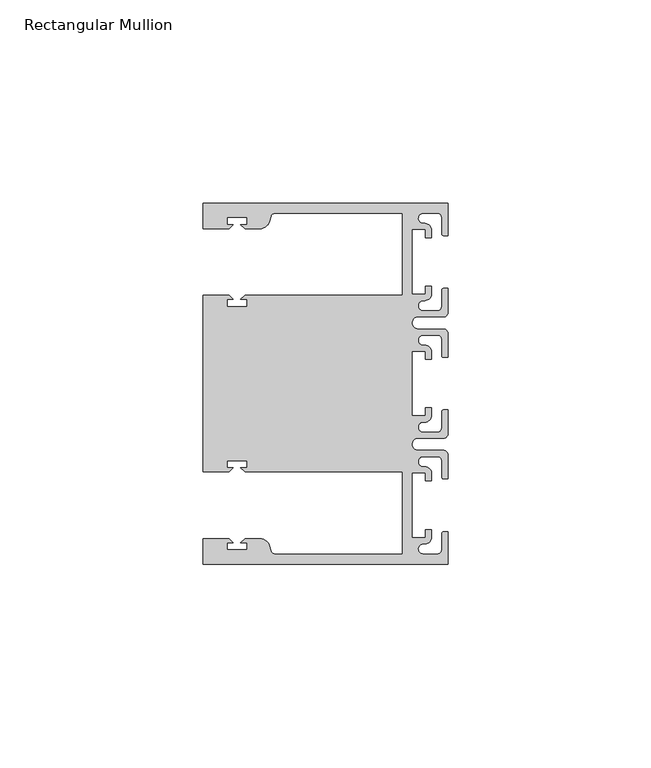
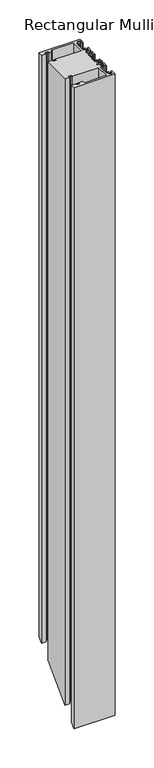
"""IFC4 building model written with IfcOpenShell, lengths in millimetres: member geometry, Rectangular Mullion."""

from ifc_helpers import new_model, si_unit, frame, origin, place, context, project, spatial, polyline, circle_curve, ellipse_curve, source, transform, mapped, element, save
from ifc_brep_helpers import plane_surface, cylinder_surface, revolved_surface, advanced_brep


def rectangular_mullion_a1ceb958(model_context):
    return source(origin(), model_context, "Body", "AdvancedBrep", [
        advanced_brep(
        [(0.0, -44.45, 0.0), (0.0, -36.4500318, 0.0), (-1.0, -36.4500318, 0.0), (-1.5, -36.9500318, 0.0), (-1.5, -40.95, 0.0), (-2.5, -41.95, 0.0), (-6.0499986, -41.95, 0.0), (-5.9027291, -39.4587029, 0.0), (-4.0000054, -37.7499972, 0.0), (-4.0000054, -35.9500318, 0.0), (-5.5, -35.9500318, 0.0), (-5.5, -37.9499972, 0.0), (-8.8585786, -37.9499972, 0.0), (-8.8585786, -21.9499956, 0.0), (-5.5, -21.9499956, 0.0), (-5.5, -23.9499611, 0.0), (-3.9999946, -23.9499611, 0.0), (-3.9999946, -22.0272972, 0.0), (-6.0499986, -20.4499956, 0.0), (-6.0499986, -17.9499929, 0.0), (-2.5, -17.9499929, 0.0), (-1.5, -18.9499929, 0.0), (-1.5, -22.9499611, 0.0), (-1.0, -23.4499611, 0.0), (0.0, -23.4499611, 0.0), (0.0, -17.4499929, 0.0), (-1.0, -16.4499929, 0.0), (-7.3, -16.4499929, 0.0), (-7.3046244, -13.45, 0.0), (-1.0, -13.45, 0.0), (0.0, -12.45, 0.0), (0.0, -6.4500354, 0.0), (-0.9999964, -6.4500354, 0.0), (-1.4999964, -6.9500354, 0.0), (-1.4999964, -10.95, 0.0), (-2.4999964, -11.95, 0.0), (-6.0499986, -11.95, 0.0), (-6.0499986, -9.4499972, 0.0), (-4.0000054, -7.7499972, 0.0), (-4.0000054, -5.9500318, 0.0), (-5.5, -5.9500318, 0.0), (-5.5, -7.9499972, 0.0), (-8.8, -7.9499972, 0.0), (-8.8, 7.9499972, 0.0), (-5.5, 7.9499972, 0.0), (-5.5, 5.9500318, 0.0), (-4.0000054, 5.9500318, 0.0), (-4.0000054, 7.7499972, 0.0), (-6.0499986, 9.4499972, 0.0), (-6.0499986, 11.95, 0.0), (-2.4999964, 11.95, 0.0), (-1.4999964, 10.95, 0.0), (-1.4999964, 6.9500354, 0.0), (-0.9999964, 6.4500354, 0.0), (0.0, 6.4500354, 0.0), (0.0, 12.45, 0.0), (-1.0, 13.45, 0.0), (-7.3046244, 13.45, 0.0), (-7.3, 16.4499929, 0.0), (-1.0, 16.4499929, 0.0), (0.0, 17.4499929, 0.0), (0.0, 23.4499611, 0.0), (-1.0, 23.4499611, 0.0), (-1.5, 22.9499611, 0.0), (-1.5, 18.9499929, 0.0), (-2.5, 17.9499929, 0.0), (-6.0499986, 17.9499929, 0.0), (-6.0499986, 20.4499956, 0.0), (-3.9999946, 22.0272972, 0.0), (-3.9999946, 23.9499611, 0.0), (-5.5, 23.9499611, 0.0), (-5.5, 21.9499956, 0.0), (-8.8585786, 21.9499956, 0.0), (-8.8585786, 37.9499972, 0.0), (-5.5, 37.9499972, 0.0), (-5.5, 35.9500318, 0.0), (-4.0000054, 35.9500318, 0.0), (-4.0000054, 37.7499972, 0.0), (-5.9027291, 39.4587029, 0.0), (-6.0499986, 41.95, 0.0), (-2.5, 41.95, 0.0), (-1.5, 40.95, 0.0), (-1.5, 36.9500318, 0.0), (-1.0, 36.4500318, 0.0), (0.0, 36.4500318, 0.0), (0.0, 44.45, 0.0), (-60.325, 44.45, 0.0), (-60.325, 38.1499897, 0.0), (-53.8507531, 38.1499897, 0.0), (-52.8507405, 39.1500023, 0.0), (-54.4249778, 39.1500023, 0.0), (-54.4249778, 40.9498819, 0.0), (-49.4249831, 40.9498819, 0.0), (-49.4249831, 39.1500023, 0.0), (-50.999256, 39.1500023, 0.0), (-49.9992503, 38.1499966, 0.0), (-46.3137853, 38.1499966, 0.0), (-43.8989707, 40.002949, 0.0), (-43.5758588, 41.2088192, 0.0), (-42.6099329, 41.9500001, 0.0), (-11.1125, 41.95, 0.0), (-11.1125, 21.7499959, 0.0), (-49.9992434, 21.7499959, 0.0), (-50.999256, 20.7499834, 0.0), (-49.4250186, 20.7499834, 0.0), (-49.4250186, 18.949936, 0.0), (-54.4250134, 18.949936, 0.0), (-54.4250134, 20.7499834, 0.0), (-52.8507405, 20.7499834, 0.0), (-53.8507562, 21.749999, 0.0), (-60.325, 21.749999, 0.0), (-60.325, -21.749999, 0.0), (-53.8507562, -21.749999, 0.0), (-52.8507405, -20.7499834, 0.0), (-54.4250134, -20.7499834, 0.0), (-54.4250134, -18.949936, 0.0), (-49.4250186, -18.949936, 0.0), (-49.4250186, -20.7499834, 0.0), (-50.999256, -20.7499834, 0.0), (-49.9992434, -21.7499959, 0.0), (-11.1124977, -21.7499959, 0.0), (-11.1124977, -41.95, 0.0), (-42.6099329, -41.95, 0.0), (-43.5758588, -41.2088192, 0.0), (-43.8989707, -40.002949, 0.0), (-46.3137853, -38.1499966, 0.0), (-49.9992503, -38.1499966, 0.0), (-50.999256, -39.1500023, 0.0), (-49.4249831, -39.1500023, 0.0), (-49.4249831, -40.9498819, 0.0), (-54.4249778, -40.9498819, 0.0), (-54.4249778, -39.1500023, 0.0), (-52.8507405, -39.1500023, 0.0), (-53.8507531, -38.1499897, 0.0), (-60.3249977, -38.1499897, 0.0), (-60.3249977, -44.45, 0.0), (0.0, -44.45, -996.95), (0.0, -36.4500318, -988.9500318), (-1.0, -36.4500318, -988.9500318), (-1.5, -36.9500318, -989.4500318), (-1.5, -40.95, -993.45), (-2.5, -41.95, -994.45), (-6.0499986, -41.95, -994.45), (-5.9027291, -39.4587029, -991.9587029), (-4.0000054, -37.7499972, -990.2499972), (-4.0000054, -35.9500318, -988.4500318), (-5.5, -35.9500318, -988.4500318), (-5.5, -37.9499972, -990.4499972), (-8.8585786, -37.9499972, -990.4499972), (-8.8585786, -21.9499956, -974.4499956), (-5.5, -21.9499956, -974.4499956), (-5.5, -23.9499611, -976.4499611), (-3.9999946, -23.9499611, -976.4499611), (-3.9999946, -22.0272972, -974.5272972), (-6.0499986, -20.4499956, -972.9499956), (-6.0499986, -17.9499929, -970.4499929), (-2.5, -17.9499929, -970.4499929), (-1.5, -18.9499929, -971.4499929), (-1.5, -22.9499611, -975.4499611), (-1.0, -23.4499611, -975.9499611), (0.0, -23.4499611, -975.9499611), (0.0, -17.4499929, -969.9499929), (-1.0, -16.4499929, -968.9499929), (-7.3, -16.4499929, -968.9499929), (-7.3046244, -13.45, -965.95), (-1.0, -13.45, -965.95), (0.0, -12.45, -964.95), (0.0, -6.4500354, -958.9500354), (-0.9999964, -6.4500354, -958.9500354), (-1.4999964, -6.9500354, -959.4500354), (-1.4999964, -10.95, -963.45), (-2.4999964, -11.95, -964.45), (-6.0499986, -11.95, -964.45), (-6.0499986, -9.4499972, -961.9499972), (-4.0000054, -7.7499972, -960.2499972), (-4.0000054, -5.9500318, -958.4500318), (-5.5, -5.9500318, -958.4500318), (-5.5, -7.9499972, -960.4499972), (-8.8, -7.9499972, -960.4499972), (-8.8, 7.9499972, -944.5500028), (-5.5, 7.9499972, -944.5500028), (-5.5, 5.9500318, -946.5499682), (-4.0000054, 5.9500318, -946.5499682), (-4.0000054, 7.7499972, -944.7500028), (-6.0499986, 9.4499972, -943.0500028), (-6.0499986, 11.95, -940.55), (-2.4999964, 11.95, -940.55), (-1.4999964, 10.95, -941.55), (-1.4999964, 6.9500354, -945.5499646), (-0.9999964, 6.4500354, -946.0499646), (0.0, 6.4500354, -946.0499646), (0.0, 12.45, -940.05), (-1.0, 13.45, -939.05), (-7.3046244, 13.45, -939.05), (-7.3, 16.4499929, -936.0500071), (-1.0, 16.4499929, -936.0500071), (0.0, 17.4499929, -935.0500071), (0.0, 23.4499611, -929.0500389), (-1.0, 23.4499611, -929.0500389), (-1.5, 22.9499611, -929.5500389), (-1.5, 18.9499929, -933.5500071), (-2.5, 17.9499929, -934.5500071), (-6.0499986, 17.9499929, -934.5500071), (-6.0499986, 20.4499956, -932.0500044), (-3.9999946, 22.0272972, -930.4727028), (-3.9999946, 23.9499611, -928.5500389), (-5.5, 23.9499611, -928.5500389), (-5.5, 21.9499956, -930.5500044), (-8.8585786, 21.9499956, -930.5500044), (-8.8585786, 37.9499972, -914.5500028), (-5.5, 37.9499972, -914.5500028), (-5.5, 35.9500318, -916.5499682), (-4.0000054, 35.9500318, -916.5499682), (-4.0000054, 37.7499972, -914.7500028), (-5.9027291, 39.4587029, -913.0412971), (-6.0499986, 41.95, -910.55), (-2.5, 41.95, -910.55), (-1.5, 40.95, -911.55), (-1.5, 36.9500318, -915.5499682), (-1.0, 36.4500318, -916.0499682), (0.0, 36.4500318, -916.0499682), (0.0, 44.45, -908.05), (-60.325, 44.45, -908.05), (-60.325, 38.1499897, -914.3500103), (-53.8507531, 38.1499897, -914.3500103), (-52.8507405, 39.1500023, -913.3499977), (-54.4249778, 39.1500023, -913.3499977), (-54.4249778, 40.9498819, -911.5501181), (-49.4249831, 40.9498819, -911.5501181), (-49.4249831, 39.1500023, -913.3499977), (-50.999256, 39.1500023, -913.3499977), (-49.9992503, 38.1499966, -914.3500034), (-46.3137853, 38.1499966, -914.3500034), (-43.8989707, 40.002949, -912.497051), (-43.5758588, 41.2088192, -911.2911808), (-42.6099329, 41.9500001, -910.5499999), (-11.1125, 41.95, -910.55), (-11.1125, 21.7499959, -930.7500041), (-49.9992434, 21.7499959, -930.7500041), (-50.999256, 20.7499834, -931.7500166), (-49.4250186, 20.7499834, -931.7500166), (-49.4250186, 18.949936, -933.550064), (-54.4250134, 18.949936, -933.550064), (-54.4250134, 20.7499834, -931.7500166), (-52.8507405, 20.7499834, -931.7500166), (-53.8507562, 21.749999, -930.750001), (-60.325, 21.749999, -930.750001), (-60.325, -21.749999, -974.249999), (-53.8507562, -21.749999, -974.249999), (-52.8507405, -20.7499834, -973.2499834), (-54.4250134, -20.7499834, -973.2499834), (-54.4250134, -18.949936, -971.449936), (-49.4250186, -18.949936, -971.449936), (-49.4250186, -20.7499834, -973.2499834), (-50.999256, -20.7499834, -973.2499834), (-49.9992434, -21.7499959, -974.2499959), (-11.1124977, -21.7499959, -974.2499959), (-11.1124977, -41.95, -994.45), (-42.6099329, -41.95, -994.4500001), (-43.5758588, -41.2088192, -993.7088192), (-43.8989707, -40.002949, -992.502949), (-46.3137853, -38.1499966, -990.6499966), (-49.9992503, -38.1499966, -990.6499966), (-50.999256, -39.1500023, -991.6500023), (-49.4249831, -39.1500023, -991.6500023), (-49.4249831, -40.9498819, -993.4498819), (-54.4249778, -40.9498819, -993.4498819), (-54.4249778, -39.1500023, -991.6500023), (-52.8507405, -39.1500023, -991.6500023), (-53.8507531, -38.1499897, -990.6499897), (-60.3249977, -38.1499897, -990.6499897), (-60.3249977, -44.45, -996.95)],
        [
            (0, 1),
            (1, 2),
            (2, 3, circle_curve(frame((-1.0, -36.9500318, 0.0), z_axis=(0.0, 0.0, 1.0), x_axis=(0.0, 1.0, 0.0)), 0.5)),
            (3, 4),
            (4, 5, circle_curve(frame((-2.5, -40.95, 0.0), z_axis=(0.0, 0.0, -1.0), x_axis=(0.0, 1.0, 0.0)), 1.0)),
            (5, 6),
            (6, 7, circle_curve(frame((-6.0499986, -40.6999986, 0.0), z_axis=(0.0, 0.0, -1.0), x_axis=(0.0, 1.0, 0.0)), 1.2500014)),
            (7, 8, circle_curve(frame((-5.7186029, -37.7499972, 0.0), z_axis=(0.0, 0.0, 1.0), x_axis=(1.0, 0.0, 0.0)), 1.7185975)),
            (8, 9),
            (9, 10),
            (10, 11),
            (11, 12),
            (12, 13),
            (13, 14),
            (14, 15),
            (15, 16),
            (16, 17),
            (17, 18, circle_curve(frame((-5.7543344, -22.1865598, 0.0), z_axis=(0.0, 0.0, 1.0), x_axis=(1.0, 0.0, 0.0)), 1.761554)),
            (18, 19, circle_curve(frame((-6.0499986, -19.1999942, 0.0), z_axis=(0.0, 0.0, -1.0), x_axis=(0.0, 1.0, 0.0)), 1.2500014)),
            (19, 20),
            (20, 21, circle_curve(frame((-2.5, -18.9499929, 0.0), z_axis=(0.0, 0.0, -1.0), x_axis=(0.0, 1.0, 0.0)), 1.0)),
            (21, 22),
            (22, 23, circle_curve(frame((-1.0, -22.9499611, 0.0), z_axis=(0.0, 0.0, 1.0), x_axis=(0.0, 1.0, 0.0)), 0.5)),
            (23, 24),
            (24, 25),
            (25, 26, circle_curve(frame((-1.0, -17.4499929, 0.0), z_axis=(0.0, 0.0, 1.0), x_axis=(0.0, 1.0, 0.0)), 1.0)),
            (26, 27),
            (27, 28, circle_curve(frame((-7.3, -14.9499929, 0.0), z_axis=(0.0, 0.0, -1.0), x_axis=(0.0, 1.0, 0.0)), 1.5)),
            (28, 29),
            (29, 30, circle_curve(frame((-1.0, -12.45, 0.0), z_axis=(0.0, 0.0, 1.0), x_axis=(0.0, 1.0, 0.0)), 1.0)),
            (30, 31),
            (31, 32),
            (32, 33, circle_curve(frame((-0.9999964, -6.9500354, 0.0), z_axis=(0.0, 0.0, 1.0), x_axis=(0.0, 1.0, 0.0)), 0.5)),
            (33, 34),
            (34, 35, circle_curve(frame((-2.4999964, -10.95, 0.0), z_axis=(0.0, 0.0, -1.0), x_axis=(0.0, 1.0, 0.0)), 1.0)),
            (35, 36),
            (36, 37, circle_curve(frame((-6.0499986, -10.6999986, 0.0), z_axis=(0.0, 0.0, -1.0), x_axis=(0.0, 1.0, 0.0)), 1.2500014)),
            (37, 38, circle_curve(frame((-5.7298824, -7.7499972, 0.0), z_axis=(0.0, 0.0, 1.0), x_axis=(1.0, 0.0, 0.0)), 1.729877)),
            (38, 39),
            (39, 40),
            (40, 41),
            (41, 42),
            (42, 43),
            (43, 44),
            (44, 45),
            (45, 46),
            (46, 47),
            (47, 48, circle_curve(frame((-5.7298824, 7.7499972, 0.0), z_axis=(0.0, 0.0, 1.0), x_axis=(1.0, 0.0, 0.0)), 1.729877)),
            (48, 49, circle_curve(frame((-6.0499986, 10.6999986, 0.0), z_axis=(0.0, 0.0, -1.0), x_axis=(0.0, -1.0, 0.0)), 1.2500014)),
            (49, 50),
            (50, 51, circle_curve(frame((-2.4999964, 10.95, 0.0), z_axis=(0.0, 0.0, -1.0), x_axis=(0.0, -1.0, 0.0)), 1.0)),
            (51, 52),
            (52, 53, circle_curve(frame((-0.9999964, 6.9500354, 0.0), z_axis=(0.0, 0.0, 1.0), x_axis=(0.0, -1.0, 0.0)), 0.5)),
            (53, 54),
            (54, 55),
            (55, 56, circle_curve(frame((-1.0, 12.45, 0.0), z_axis=(0.0, 0.0, 1.0), x_axis=(0.0, -1.0, 0.0)), 1.0)),
            (56, 57),
            (57, 58, circle_curve(frame((-7.3, 14.9499929, 0.0), z_axis=(0.0, 0.0, -1.0), x_axis=(0.0, -1.0, 0.0)), 1.5)),
            (58, 59),
            (59, 60, circle_curve(frame((-1.0, 17.4499929, 0.0), z_axis=(0.0, 0.0, 1.0), x_axis=(0.0, -1.0, 0.0)), 1.0)),
            (60, 61),
            (61, 62),
            (62, 63, circle_curve(frame((-1.0, 22.9499611, 0.0), z_axis=(0.0, 0.0, 1.0), x_axis=(0.0, -1.0, 0.0)), 0.5)),
            (63, 64),
            (64, 65, circle_curve(frame((-2.5, 18.9499929, 0.0), z_axis=(0.0, 0.0, -1.0), x_axis=(0.0, -1.0, 0.0)), 1.0)),
            (65, 66),
            (66, 67, circle_curve(frame((-6.0499986, 19.1999942, 0.0), z_axis=(0.0, 0.0, -1.0), x_axis=(0.0, -1.0, 0.0)), 1.2500014)),
            (67, 68, circle_curve(frame((-5.7543344, 22.1865598, 0.0), z_axis=(0.0, 0.0, 1.0), x_axis=(1.0, 0.0, 0.0)), 1.761554)),
            (68, 69),
            (69, 70),
            (70, 71),
            (71, 72),
            (72, 73),
            (73, 74),
            (74, 75),
            (75, 76),
            (76, 77),
            (77, 78, circle_curve(frame((-5.7186029, 37.7499972, 0.0), z_axis=(0.0, 0.0, 1.0), x_axis=(1.0, 0.0, 0.0)), 1.7185975)),
            (78, 79, circle_curve(frame((-6.0499986, 40.6999986, 0.0), z_axis=(0.0, 0.0, -1.0), x_axis=(0.0, -1.0, 0.0)), 1.2500014)),
            (79, 80),
            (80, 81, circle_curve(frame((-2.5, 40.95, 0.0), z_axis=(0.0, 0.0, -1.0), x_axis=(0.0, -1.0, 0.0)), 1.0)),
            (81, 82),
            (82, 83, circle_curve(frame((-1.0, 36.9500318, 0.0), z_axis=(0.0, 0.0, 1.0), x_axis=(0.0, -1.0, 0.0)), 0.5)),
            (83, 84),
            (84, 85),
            (85, 86),
            (86, 87),
            (87, 88),
            (88, 89),
            (89, 90),
            (90, 91),
            (91, 92),
            (92, 93),
            (93, 94),
            (94, 95),
            (95, 96),
            (96, 97, circle_curve(frame((-46.3137853, 40.6499966, 0.0), z_axis=(0.0, 0.0, 1.0), x_axis=(0.0, -1.0, 0.0)), 2.5)),
            (97, 98),
            (98, 99, circle_curve(frame((-42.6099329, 40.9500001, 0.0), z_axis=(0.0, 0.0, -1.0), x_axis=(0.0, -1.0, 0.0)), 1.0)),
            (99, 100),
            (100, 101),
            (101, 102),
            (102, 103),
            (103, 104),
            (104, 105),
            (105, 106),
            (106, 107),
            (107, 108),
            (108, 109),
            (109, 110),
            (110, 111),
            (111, 112),
            (112, 113),
            (113, 114),
            (114, 115),
            (115, 116),
            (116, 117),
            (117, 118),
            (118, 119),
            (119, 120),
            (120, 121),
            (121, 122),
            (122, 123, circle_curve(frame((-42.6099329, -40.9500001, 0.0), z_axis=(0.0, 0.0, -1.0), x_axis=(0.0, 1.0, 0.0)), 1.0)),
            (123, 124),
            (124, 125, circle_curve(frame((-46.3137853, -40.6499966, 0.0), z_axis=(0.0, 0.0, 1.0), x_axis=(0.0, 1.0, 0.0)), 2.5)),
            (125, 126),
            (126, 127),
            (127, 128),
            (128, 129),
            (129, 130),
            (130, 131),
            (131, 132),
            (132, 133),
            (133, 134),
            (134, 135),
            (135, 0),
            (0, 136),
            (136, 137),
            (137, 1),
            (137, 138),
            (138, 2),
            (138, 139, ellipse_curve(frame((-1.0, -36.9500318, -989.4500318), z_axis=(0.0, -0.7071067811865476, 0.7071067811865476), x_axis=(0.0, 0.7071067811865476, 0.7071067811865474)), 0.7071068, 0.5)),
            (139, 3),
            (139, 140),
            (140, 4),
            (140, 141, ellipse_curve(frame((-2.5, -40.95, -993.45), z_axis=(0.0, 0.7071067811865476, -0.7071067811865476), x_axis=(0.0, -0.7071067811865476, -0.7071067811865474)), 1.4142136, 1.0)),
            (141, 5),
            (141, 142),
            (142, 6),
            (142, 143, ellipse_curve(frame((-6.0499986, -40.6999986, -993.1999986), z_axis=(0.0, 0.7071067811865476, -0.7071067811865476), x_axis=(0.0, -0.7071067811865476, -0.7071067811865474)), 1.7677689, 1.2500014)),
            (143, 7),
            (143, 144, ellipse_curve(frame((-5.7186029, -37.7499972, -990.2499972), z_axis=(0.0, -0.7071067811865476, 0.7071067811865476), x_axis=(0.0, 0.7071067811865476, 0.7071067811865474)), 2.4304639, 1.7185975)),
            (144, 8),
            (144, 145),
            (145, 9),
            (145, 146),
            (146, 10),
            (146, 147),
            (147, 11),
            (147, 148),
            (148, 12),
            (148, 149),
            (149, 13),
            (149, 150),
            (150, 14),
            (150, 151),
            (151, 15),
            (151, 152),
            (152, 16),
            (152, 153),
            (153, 17),
            (153, 154, ellipse_curve(frame((-5.7543344, -22.1865598, -974.6865598), z_axis=(0.0, -0.7071067811865476, 0.7071067811865476), x_axis=(0.0, 0.7071067811865476, 0.7071067811865474)), 2.4912135, 1.761554)),
            (154, 18),
            (154, 155, ellipse_curve(frame((-6.0499986, -19.1999942, -971.6999942), z_axis=(0.0, 0.7071067811865476, -0.7071067811865476), x_axis=(0.0, -0.7071067811865476, -0.7071067811865474)), 1.7677689, 1.2500014)),
            (155, 19),
            (155, 156),
            (156, 20),
            (156, 157, ellipse_curve(frame((-2.5, -18.9499929, -971.4499929), z_axis=(0.0, 0.7071067811865476, -0.7071067811865476), x_axis=(0.0, -0.7071067811865476, -0.7071067811865474)), 1.4142136, 1.0)),
            (157, 21),
            (157, 158),
            (158, 22),
            (158, 159, ellipse_curve(frame((-1.0, -22.9499611, -975.4499611), z_axis=(0.0, -0.7071067811865476, 0.7071067811865476), x_axis=(0.0, 0.7071067811865476, 0.7071067811865474)), 0.7071068, 0.5)),
            (159, 23),
            (159, 160),
            (160, 24),
            (160, 161),
            (161, 25),
            (161, 162, ellipse_curve(frame((-1.0, -17.4499929, -969.9499929), z_axis=(0.0, -0.7071067811865476, 0.7071067811865476), x_axis=(0.0, 0.7071067811865476, 0.7071067811865474)), 1.4142136, 1.0)),
            (162, 26),
            (162, 163),
            (163, 27),
            (163, 164, ellipse_curve(frame((-7.3, -14.9499929, -967.4499929), z_axis=(0.0, 0.7071067811865476, -0.7071067811865476), x_axis=(0.0, -0.7071067811865476, -0.7071067811865474)), 2.1213203, 1.5)),
            (164, 28),
            (164, 165),
            (165, 29),
            (165, 166, ellipse_curve(frame((-1.0, -12.45, -964.95), z_axis=(0.0, -0.7071067811865476, 0.7071067811865476), x_axis=(0.0, 0.7071067811865476, 0.7071067811865474)), 1.4142136, 1.0)),
            (166, 30),
            (166, 167),
            (167, 31),
            (167, 168),
            (168, 32),
            (168, 169, ellipse_curve(frame((-0.9999964, -6.9500354, -959.4500354), z_axis=(0.0, -0.7071067811865476, 0.7071067811865476), x_axis=(0.0, 0.7071067811865476, 0.7071067811865474)), 0.7071068, 0.5)),
            (169, 33),
            (169, 170),
            (170, 34),
            (170, 171, ellipse_curve(frame((-2.4999964, -10.95, -963.45), z_axis=(0.0, 0.7071067811865476, -0.7071067811865476), x_axis=(0.0, -0.7071067811865476, -0.7071067811865474)), 1.4142136, 1.0)),
            (171, 35),
            (171, 172),
            (172, 36),
            (172, 173, ellipse_curve(frame((-6.0499986, -10.6999986, -963.1999986), z_axis=(0.0, 0.7071067811865476, -0.7071067811865476), x_axis=(0.0, -0.7071067811865476, -0.7071067811865474)), 1.7677689, 1.2500014)),
            (173, 37),
            (173, 174, ellipse_curve(frame((-5.7298824, -7.7499972, -960.2499972), z_axis=(0.0, -0.7071067811865476, 0.7071067811865476), x_axis=(0.0, 0.7071067811865476, 0.7071067811865474)), 2.4464155, 1.729877)),
            (174, 38),
            (174, 175),
            (175, 39),
            (175, 176),
            (176, 40),
            (176, 177),
            (177, 41),
            (177, 178),
            (178, 42),
            (178, 179),
            (179, 43),
            (179, 180),
            (180, 44),
            (180, 181),
            (181, 45),
            (181, 182),
            (182, 46),
            (182, 183),
            (183, 47),
            (183, 184, ellipse_curve(frame((-5.7298824, 7.7499972, -944.7500028), z_axis=(0.0, -0.7071067811865476, 0.7071067811865476), x_axis=(0.0, 0.7071067811865476, 0.7071067811865474)), 2.4464155, 1.729877)),
            (184, 48),
            (184, 185, ellipse_curve(frame((-6.0499986, 10.6999986, -941.8000014), z_axis=(0.0, 0.7071067811865476, -0.7071067811865476), x_axis=(0.0, -0.7071067811865476, -0.7071067811865474)), 1.7677689, 1.2500014)),
            (185, 49),
            (185, 186),
            (186, 50),
            (186, 187, ellipse_curve(frame((-2.4999964, 10.95, -941.55), z_axis=(0.0, 0.7071067811865476, -0.7071067811865476), x_axis=(0.0, -0.7071067811865476, -0.7071067811865474)), 1.4142136, 1.0)),
            (187, 51),
            (187, 188),
            (188, 52),
            (188, 189, ellipse_curve(frame((-0.9999964, 6.9500354, -945.5499646), z_axis=(0.0, -0.7071067811865476, 0.7071067811865476), x_axis=(0.0, 0.7071067811865476, 0.7071067811865474)), 0.7071068, 0.5)),
            (189, 53),
            (189, 190),
            (190, 54),
            (190, 191),
            (191, 55),
            (191, 192, ellipse_curve(frame((-1.0, 12.45, -940.05), z_axis=(0.0, -0.7071067811865476, 0.7071067811865476), x_axis=(0.0, 0.7071067811865476, 0.7071067811865474)), 1.4142136, 1.0)),
            (192, 56),
            (192, 193),
            (193, 57),
            (193, 194, ellipse_curve(frame((-7.3, 14.9499929, -937.5500071), z_axis=(0.0, 0.7071067811865476, -0.7071067811865476), x_axis=(0.0, -0.7071067811865476, -0.7071067811865474)), 2.1213203, 1.5)),
            (194, 58),
            (194, 195),
            (195, 59),
            (195, 196, ellipse_curve(frame((-1.0, 17.4499929, -935.0500071), z_axis=(0.0, -0.7071067811865476, 0.7071067811865476), x_axis=(0.0, 0.7071067811865476, 0.7071067811865474)), 1.4142136, 1.0)),
            (196, 60),
            (196, 197),
            (197, 61),
            (197, 198),
            (198, 62),
            (198, 199, ellipse_curve(frame((-1.0, 22.9499611, -929.5500389), z_axis=(0.0, -0.7071067811865476, 0.7071067811865476), x_axis=(0.0, 0.7071067811865476, 0.7071067811865474)), 0.7071068, 0.5)),
            (199, 63),
            (199, 200),
            (200, 64),
            (200, 201, ellipse_curve(frame((-2.5, 18.9499929, -933.5500071), z_axis=(0.0, 0.7071067811865476, -0.7071067811865476), x_axis=(0.0, -0.7071067811865476, -0.7071067811865474)), 1.4142136, 1.0)),
            (201, 65),
            (201, 202),
            (202, 66),
            (202, 203, ellipse_curve(frame((-6.0499986, 19.1999942, -933.3000058), z_axis=(0.0, 0.7071067811865476, -0.7071067811865476), x_axis=(0.0, -0.7071067811865476, -0.7071067811865474)), 1.7677689, 1.2500014)),
            (203, 67),
            (203, 204, ellipse_curve(frame((-5.7543344, 22.1865598, -930.3134402), z_axis=(0.0, -0.7071067811865476, 0.7071067811865476), x_axis=(0.0, 0.7071067811865476, 0.7071067811865474)), 2.4912135, 1.761554)),
            (204, 68),
            (204, 205),
            (205, 69),
            (205, 206),
            (206, 70),
            (206, 207),
            (207, 71),
            (207, 208),
            (208, 72),
            (208, 209),
            (209, 73),
            (209, 210),
            (210, 74),
            (210, 211),
            (211, 75),
            (211, 212),
            (212, 76),
            (212, 213),
            (213, 77),
            (213, 214, ellipse_curve(frame((-5.7186029, 37.7499972, -914.7500028), z_axis=(0.0, -0.7071067811865476, 0.7071067811865476), x_axis=(0.0, 0.7071067811865476, 0.7071067811865474)), 2.4304639, 1.7185975)),
            (214, 78),
            (214, 215, ellipse_curve(frame((-6.0499986, 40.6999986, -911.8000014), z_axis=(0.0, 0.7071067811865476, -0.7071067811865476), x_axis=(0.0, -0.7071067811865476, -0.7071067811865474)), 1.7677689, 1.2500014)),
            (215, 79),
            (215, 216),
            (216, 80),
            (216, 217, ellipse_curve(frame((-2.5, 40.95, -911.55), z_axis=(0.0, 0.7071067811865476, -0.7071067811865476), x_axis=(0.0, -0.7071067811865476, -0.7071067811865474)), 1.4142136, 1.0)),
            (217, 81),
            (217, 218),
            (218, 82),
            (218, 219, ellipse_curve(frame((-1.0, 36.9500318, -915.5499682), z_axis=(0.0, -0.7071067811865476, 0.7071067811865476), x_axis=(0.0, 0.7071067811865476, 0.7071067811865474)), 0.7071068, 0.5)),
            (219, 83),
            (219, 220),
            (220, 84),
            (220, 221),
            (221, 85),
            (221, 222),
            (222, 86),
            (222, 223),
            (223, 87),
            (223, 224),
            (224, 88),
            (224, 225),
            (225, 89),
            (225, 226),
            (226, 90),
            (226, 227),
            (227, 91),
            (227, 228),
            (228, 92),
            (228, 229),
            (229, 93),
            (229, 230),
            (230, 94),
            (230, 231),
            (231, 95),
            (231, 232),
            (232, 96),
            (232, 233, ellipse_curve(frame((-46.3137853, 40.6499966, -911.8500034), z_axis=(0.0, -0.7071067811865476, 0.7071067811865476), x_axis=(0.0, 0.7071067811865476, 0.7071067811865474)), 3.5355339, 2.5)),
            (233, 97),
            (233, 234),
            (234, 98),
            (234, 235, ellipse_curve(frame((-42.6099329, 40.9500001, -911.5499999), z_axis=(0.0, 0.7071067811865476, -0.7071067811865476), x_axis=(0.0, -0.7071067811865476, -0.7071067811865474)), 1.4142136, 1.0)),
            (235, 99),
            (235, 236),
            (236, 100),
            (236, 237),
            (237, 101),
            (237, 238),
            (238, 102),
            (238, 239),
            (239, 103),
            (239, 240),
            (240, 104),
            (240, 241),
            (241, 105),
            (241, 242),
            (242, 106),
            (242, 243),
            (243, 107),
            (243, 244),
            (244, 108),
            (244, 245),
            (245, 109),
            (245, 246),
            (246, 110),
            (246, 247),
            (247, 111),
            (247, 248),
            (248, 112),
            (248, 249),
            (249, 113),
            (249, 250),
            (250, 114),
            (250, 251),
            (251, 115),
            (251, 252),
            (252, 116),
            (252, 253),
            (253, 117),
            (253, 254),
            (254, 118),
            (254, 255),
            (255, 119),
            (255, 256),
            (256, 120),
            (256, 257),
            (257, 121),
            (257, 258),
            (258, 122),
            (258, 259, ellipse_curve(frame((-42.6099329, -40.9500001, -993.4500001), z_axis=(0.0, 0.7071067811865476, -0.7071067811865476), x_axis=(0.0, -0.7071067811865476, -0.7071067811865474)), 1.4142136, 1.0)),
            (259, 123),
            (259, 260),
            (260, 124),
            (260, 261, ellipse_curve(frame((-46.3137853, -40.6499966, -993.1499966), z_axis=(0.0, -0.7071067811865476, 0.7071067811865476), x_axis=(0.0, 0.7071067811865476, 0.7071067811865474)), 3.5355339, 2.5)),
            (261, 125),
            (261, 262),
            (262, 126),
            (262, 263),
            (263, 127),
            (263, 264),
            (264, 128),
            (264, 265),
            (265, 129),
            (265, 266),
            (266, 130),
            (266, 267),
            (267, 131),
            (267, 268),
            (268, 132),
            (268, 269),
            (269, 133),
            (269, 270),
            (270, 134),
            (270, 271),
            (271, 135),
            (271, 136),
        ],
        [
            plane_surface(frame((0.0, -74.9326906, 0.0), z_axis=(0.0, 0.0, 1.0), x_axis=(-1.0, 0.0, 0.0))),
            plane_surface(frame((0.0, -44.45, 0.0), z_axis=(1.0, 0.0, 0.0), x_axis=(0.0, 0.0, -1.0))),
            plane_surface(frame((0.0, -36.4500318, 0.0), z_axis=(0.0, 1.0, 0.0), x_axis=(0.0, 0.0, -1.0))),
            cylinder_surface(frame((-1.0, -36.9500318, 0.0), z_axis=(0.0, 0.0, 1.0), x_axis=(0.0, 1.0, 0.0)), 0.5),
            plane_surface(frame((-1.5, -36.9500318, 0.0), z_axis=(-1.0, 0.0, 0.0), x_axis=(0.0, 0.0, -1.0))),
            revolved_surface(polyline([(-2.5, -39.95, -994.4500000266063), (-2.5, -39.95, 0.0)]), (-2.5, -40.95, 0.0), (0.0, 0.0, -1.0)),
            plane_surface(frame((-2.5, -41.95, 0.0), z_axis=(0.0, 1.0, 0.0), x_axis=(0.0, 0.0, -1.0))),
            revolved_surface(polyline([(-6.0499986, -39.4499972, -994.45), (-6.0499986, -39.4499972, 0.0)]), (-6.0499986, -40.6999986, 0.0), (0.0, 0.0, -1.0)),
            cylinder_surface(frame((-5.7186029, -37.7499972, 0.0), z_axis=(0.0, 0.0, 1.0), x_axis=(1.0, 0.0, 0.0)), 1.7185975),
            plane_surface(frame((-4.0000054, -37.7499972, 0.0), z_axis=(1.0, 0.0, 0.0), x_axis=(0.0, 0.0, -1.0))),
            plane_surface(frame((-4.0000054, -35.9500318, 0.0), z_axis=(0.0, 1.0, 0.0), x_axis=(0.0, 0.0, -1.0))),
            plane_surface(frame((-5.5, -35.9500318, 0.0), z_axis=(-1.0, 0.0, 0.0), x_axis=(0.0, 0.0, -1.0))),
            plane_surface(frame((-5.5, -37.9499972, 0.0), z_axis=(0.0, 1.0, 0.0), x_axis=(0.0, 0.0, -1.0))),
            plane_surface(frame((-8.8585786, -37.9499972, 0.0), z_axis=(1.0, 0.0, 0.0), x_axis=(0.0, 0.0, -1.0))),
            plane_surface(frame((-8.8585786, -21.9499956, 0.0), z_axis=(0.0, -1.0, 0.0), x_axis=(0.0, 0.0, -1.0))),
            plane_surface(frame((-5.5, -21.9499956, 0.0), z_axis=(-1.0, 0.0, 0.0), x_axis=(0.0, 0.0, -1.0))),
            plane_surface(frame((-5.5, -23.9499611, 0.0), z_axis=(0.0, -1.0, 0.0), x_axis=(0.0, 0.0, -1.0))),
            plane_surface(frame((-3.9999946, -23.9499611, 0.0), z_axis=(1.0, 0.0, 0.0), x_axis=(0.0, 0.0, -1.0))),
            cylinder_surface(frame((-5.7543344, -22.1865598, 0.0), z_axis=(0.0, 0.0, 1.0), x_axis=(1.0, 0.0, 0.0)), 1.761554),
            revolved_surface(polyline([(-6.0499986, -17.9499928, -972.9499956), (-6.0499986, -17.9499928, 0.0)]), (-6.0499986, -19.1999942, 0.0), (0.0, 0.0, -1.0)),
            plane_surface(frame((-6.0499986, -17.9499929, 0.0), z_axis=(0.0, -1.0, 0.0), x_axis=(0.0, 0.0, -1.0))),
            revolved_surface(polyline([(-2.5, -17.9499929, -972.4499929266062), (-2.5, -17.9499929, 0.0)]), (-2.5, -18.9499929, 0.0), (0.0, 0.0, -1.0)),
            plane_surface(frame((-1.5, -18.9499929, 0.0), z_axis=(-1.0, 0.0, 0.0), x_axis=(0.0, 0.0, -1.0))),
            cylinder_surface(frame((-1.0, -22.9499611, 0.0), z_axis=(0.0, 0.0, 1.0), x_axis=(0.0, 1.0, 0.0)), 0.5),
            plane_surface(frame((-1.0, -23.4499611, 0.0), z_axis=(0.0, -1.0, 0.0), x_axis=(0.0, 0.0, -1.0))),
            plane_surface(frame((0.0, -23.4499611, 0.0), z_axis=(1.0, 0.0, 0.0), x_axis=(0.0, 0.0, -1.0))),
            cylinder_surface(frame((-1.0, -17.4499929, 0.0), z_axis=(0.0, 0.0, 1.0), x_axis=(0.0, 1.0, 0.0)), 1.0),
            plane_surface(frame((-1.0, -16.4499929, 0.0), z_axis=(0.0, 1.0, 0.0), x_axis=(0.0, 0.0, -1.0))),
            revolved_surface(polyline([(-7.3, -13.4499929, -968.9499929), (-7.3, -13.4499929, 0.0)]), (-7.3, -14.9499929, 0.0), (0.0, 0.0, -1.0)),
            plane_surface(frame((-7.3046244, -13.45, 0.0), z_axis=(0.0, -1.0, 0.0), x_axis=(0.0, 0.0, -1.0))),
            cylinder_surface(frame((-1.0, -12.45, 0.0), z_axis=(0.0, 0.0, 1.0), x_axis=(0.0, 1.0, 0.0)), 1.0),
            plane_surface(frame((0.0, -12.45, 0.0), z_axis=(1.0, 0.0, 0.0), x_axis=(0.0, 0.0, -1.0))),
            plane_surface(frame((0.0, -6.4500354, 0.0), z_axis=(0.0, 1.0, 0.0), x_axis=(0.0, 0.0, -1.0))),
            cylinder_surface(frame((-0.9999964, -6.9500354, 0.0), z_axis=(0.0, 0.0, 1.0), x_axis=(0.0, 1.0, 0.0)), 0.5),
            plane_surface(frame((-1.4999964, -6.9500354, 0.0), z_axis=(-1.0, 0.0, 0.0), x_axis=(0.0, 0.0, -1.0))),
            revolved_surface(polyline([(-2.4999964, -9.95, -964.4500000266063), (-2.4999964, -9.95, 0.0)]), (-2.4999964, -10.95, 0.0), (0.0, 0.0, -1.0)),
            plane_surface(frame((-2.4999964, -11.95, 0.0), z_axis=(0.0, 1.0, 0.0), x_axis=(0.0, 0.0, -1.0))),
            revolved_surface(polyline([(-6.0499986, -9.4499972, -964.45), (-6.0499986, -9.4499972, 0.0)]), (-6.0499986, -10.6999986, 0.0), (0.0, 0.0, -1.0)),
            cylinder_surface(frame((-5.7298824, -7.7499972, 0.0), z_axis=(0.0, 0.0, 1.0), x_axis=(1.0, 0.0, 0.0)), 1.729877),
            plane_surface(frame((-4.0000054, -7.7499972, 0.0), z_axis=(1.0, 0.0, 0.0), x_axis=(0.0, 0.0, -1.0))),
            plane_surface(frame((-4.0000054, -5.9500318, 0.0), z_axis=(0.0, 1.0, 0.0), x_axis=(0.0, 0.0, -1.0))),
            plane_surface(frame((-5.5, -5.9500318, 0.0), z_axis=(-1.0, 0.0, 0.0), x_axis=(0.0, 0.0, -1.0))),
            plane_surface(frame((-5.5, -7.9499972, 0.0), z_axis=(0.0, 1.0, 0.0), x_axis=(0.0, 0.0, -1.0))),
            plane_surface(frame((-8.8, -7.9499972, 0.0), z_axis=(1.0, 0.0, 0.0), x_axis=(0.0, 0.0, -1.0))),
            plane_surface(frame((-8.8, 7.9499972, 0.0), z_axis=(0.0, -1.0, 0.0), x_axis=(0.0, 0.0, -1.0))),
            plane_surface(frame((-5.5, 7.9499972, 0.0), z_axis=(-1.0, 0.0, 0.0), x_axis=(0.0, 0.0, -1.0))),
            plane_surface(frame((-5.5, 5.9500318, 0.0), z_axis=(0.0, -1.0, 0.0), x_axis=(0.0, 0.0, -1.0))),
            plane_surface(frame((-4.0000054, 5.9500318, 0.0), z_axis=(1.0, 0.0, 0.0), x_axis=(0.0, 0.0, -1.0))),
            cylinder_surface(frame((-5.7298824, 7.7499972, 0.0), z_axis=(0.0, 0.0, 1.0), x_axis=(1.0, 0.0, 0.0)), 1.729877),
            revolved_surface(polyline([(-6.0499986, 9.4499972, -943.0500028), (-6.0499986, 9.4499972, 0.0)]), (-6.0499986, 10.6999986, 0.0), (0.0, 0.0, -1.0)),
            plane_surface(frame((-6.0499986, 11.95, 0.0), z_axis=(0.0, -1.0, 0.0), x_axis=(0.0, 0.0, -1.0))),
            revolved_surface(polyline([(-2.4999964, 9.95, -942.5500000266062), (-2.4999964, 9.95, 0.0)]), (-2.4999964, 10.95, 0.0), (0.0, 0.0, -1.0)),
            plane_surface(frame((-1.4999964, 10.95, 0.0), z_axis=(-1.0, 0.0, 0.0), x_axis=(0.0, 0.0, -1.0))),
            cylinder_surface(frame((-0.9999964, 6.9500354, 0.0), z_axis=(0.0, 0.0, 1.0), x_axis=(0.0, -1.0, 0.0)), 0.5),
            plane_surface(frame((-0.9999964, 6.4500354, 0.0), z_axis=(0.0, -1.0, 0.0), x_axis=(0.0, 0.0, -1.0))),
            plane_surface(frame((0.0, 6.4500354, 0.0), z_axis=(1.0, 0.0, 0.0), x_axis=(0.0, 0.0, -1.0))),
            cylinder_surface(frame((-1.0, 12.45, 0.0), z_axis=(0.0, 0.0, 1.0), x_axis=(0.0, -1.0, 0.0)), 1.0),
            plane_surface(frame((-1.0, 13.45, 0.0), z_axis=(0.0, 1.0, 0.0), x_axis=(0.0, 0.0, -1.0))),
            revolved_surface(polyline([(-7.3, 13.4499929, -939.0500070691987), (-7.3, 13.4499929, 0.0)]), (-7.3, 14.9499929, 0.0), (0.0, 0.0, -1.0)),
            plane_surface(frame((-7.3, 16.4499929, 0.0), z_axis=(0.0, -1.0, 0.0), x_axis=(0.0, 0.0, -1.0))),
            cylinder_surface(frame((-1.0, 17.4499929, 0.0), z_axis=(0.0, 0.0, 1.0), x_axis=(0.0, -1.0, 0.0)), 1.0),
            plane_surface(frame((0.0, 17.4499929, 0.0), z_axis=(1.0, 0.0, 0.0), x_axis=(0.0, 0.0, -1.0))),
            plane_surface(frame((0.0, 23.4499611, 0.0), z_axis=(0.0, 1.0, 0.0), x_axis=(0.0, 0.0, -1.0))),
            cylinder_surface(frame((-1.0, 22.9499611, 0.0), z_axis=(0.0, 0.0, 1.0), x_axis=(0.0, -1.0, 0.0)), 0.5),
            plane_surface(frame((-1.5, 22.9499611, 0.0), z_axis=(-1.0, 0.0, 0.0), x_axis=(0.0, 0.0, -1.0))),
            revolved_surface(polyline([(-2.5, 17.9499929, -934.5500071266063), (-2.5, 17.9499929, 0.0)]), (-2.5, 18.9499929, 0.0), (0.0, 0.0, -1.0)),
            plane_surface(frame((-2.5, 17.9499929, 0.0), z_axis=(0.0, 1.0, 0.0), x_axis=(0.0, 0.0, -1.0))),
            revolved_surface(polyline([(-6.0499986, 17.9499928, -934.5500071767607), (-6.0499986, 17.9499928, 0.0)]), (-6.0499986, 19.1999942, 0.0), (0.0, 0.0, -1.0)),
            cylinder_surface(frame((-5.7543344, 22.1865598, 0.0), z_axis=(0.0, 0.0, 1.0), x_axis=(1.0, 0.0, 0.0)), 1.761554),
            plane_surface(frame((-3.9999946, 22.0272972, 0.0), z_axis=(1.0, 0.0, 0.0), x_axis=(0.0, 0.0, -1.0))),
            plane_surface(frame((-3.9999946, 23.9499611, 0.0), z_axis=(0.0, 1.0, 0.0), x_axis=(0.0, 0.0, -1.0))),
            plane_surface(frame((-5.5, 23.9499611, 0.0), z_axis=(-1.0, 0.0, 0.0), x_axis=(0.0, 0.0, -1.0))),
            plane_surface(frame((-5.5, 21.9499956, 0.0), z_axis=(0.0, 1.0, 0.0), x_axis=(0.0, 0.0, -1.0))),
            plane_surface(frame((-8.8585786, 21.9499956, 0.0), z_axis=(1.0, 0.0, 0.0), x_axis=(0.0, 0.0, -1.0))),
            plane_surface(frame((-8.8585786, 37.9499972, 0.0), z_axis=(0.0, -1.0, 0.0), x_axis=(0.0, 0.0, -1.0))),
            plane_surface(frame((-5.5, 37.9499972, 0.0), z_axis=(-1.0, 0.0, 0.0), x_axis=(0.0, 0.0, -1.0))),
            plane_surface(frame((-5.5, 35.9500318, 0.0), z_axis=(0.0, -1.0, 0.0), x_axis=(0.0, 0.0, -1.0))),
            plane_surface(frame((-4.0000054, 35.9500318, 0.0), z_axis=(1.0, 0.0, 0.0), x_axis=(0.0, 0.0, -1.0))),
            cylinder_surface(frame((-5.7186029, 37.7499972, 0.0), z_axis=(0.0, 0.0, 1.0), x_axis=(1.0, 0.0, 0.0)), 1.7185975),
            revolved_surface(polyline([(-6.0499986, 39.4499972, -913.0500027767607), (-6.0499986, 39.4499972, 0.0)]), (-6.0499986, 40.6999986, 0.0), (0.0, 0.0, -1.0)),
            plane_surface(frame((-6.0499986, 41.95, 0.0), z_axis=(0.0, -1.0, 0.0), x_axis=(0.0, 0.0, -1.0))),
            revolved_surface(polyline([(-2.5, 39.95, -912.5500000266062), (-2.5, 39.95, 0.0)]), (-2.5, 40.95, 0.0), (0.0, 0.0, -1.0)),
            plane_surface(frame((-1.5, 40.95, 0.0), z_axis=(-1.0, 0.0, 0.0), x_axis=(0.0, 0.0, -1.0))),
            cylinder_surface(frame((-1.0, 36.9500318, 0.0), z_axis=(0.0, 0.0, 1.0), x_axis=(0.0, -1.0, 0.0)), 0.5),
            plane_surface(frame((-1.0, 36.4500318, 0.0), z_axis=(0.0, -1.0, 0.0), x_axis=(0.0, 0.0, -1.0))),
            plane_surface(frame((0.0, 36.4500318, 0.0), z_axis=(1.0, 0.0, 0.0), x_axis=(0.0, 0.0, -1.0))),
            plane_surface(frame((0.0, 44.45, 0.0), z_axis=(0.0, 1.0, 0.0), x_axis=(0.0, 0.0, -1.0))),
            plane_surface(frame((-60.325, 44.45, 0.0), z_axis=(-1.0, 0.0, 0.0), x_axis=(0.0, 0.0, -1.0))),
            plane_surface(frame((-60.325, 38.1499897, 0.0), z_axis=(0.0, -1.0, 0.0), x_axis=(0.0, 0.0, -1.0))),
            plane_surface(frame((-53.8507531, 38.1499897, 0.0), z_axis=(0.7071067811865447, -0.7071067811865505, 0.0), x_axis=(0.0, 0.0, -1.0))),
            plane_surface(frame((-52.8507405, 39.1500023, 0.0), z_axis=(0.0, 1.0, 0.0), x_axis=(0.0, 0.0, -1.0))),
            plane_surface(frame((-54.4249778, 39.1500023, 0.0), z_axis=(1.0, 0.0, 0.0), x_axis=(0.0, 0.0, -1.0))),
            plane_surface(frame((-54.4249778, 40.9498819, 0.0), z_axis=(0.0, -1.0, 0.0), x_axis=(0.0, 0.0, -1.0))),
            plane_surface(frame((-49.4249831, 40.9498819, 0.0), z_axis=(-1.0, 0.0, 0.0), x_axis=(0.0, 0.0, -1.0))),
            plane_surface(frame((-49.4249831, 39.1500023, 0.0), z_axis=(0.0, 1.0, 0.0), x_axis=(0.0, 0.0, -1.0))),
            plane_surface(frame((-50.999256, 39.1500023, 0.0), z_axis=(-0.7071067811865515, -0.7071067811865436, 0.0), x_axis=(0.0, 0.0, -1.0))),
            plane_surface(frame((-49.9992503, 38.1499966, 0.0), z_axis=(0.0, -1.0, 0.0), x_axis=(0.0, 0.0, -1.0))),
            cylinder_surface(frame((-46.3137853, 40.6499966, 0.0), z_axis=(0.0, 0.0, 1.0), x_axis=(0.0, -1.0, 0.0)), 2.5),
            plane_surface(frame((-43.8989707, 40.002949, 0.0), z_axis=(0.9659258262891613, -0.2588190451021737, 0.0), x_axis=(0.0, 0.0, -1.0))),
            revolved_surface(polyline([(-42.6099329, 39.9500001, -912.5499999266062), (-42.6099329, 39.9500001, 0.0)]), (-42.6099329, 40.9500001, 0.0), (0.0, 0.0, -1.0)),
            plane_surface(frame((-42.6099329, 41.95, 0.0), z_axis=(0.0, -1.0, 0.0), x_axis=(0.0, 0.0, -1.0))),
            plane_surface(frame((-11.1125, 41.95, 0.0), z_axis=(-1.0, 0.0, 0.0), x_axis=(0.0, 0.0, -1.0))),
            plane_surface(frame((-11.1125, 21.7499959, 0.0), z_axis=(0.0, 1.0, 0.0), x_axis=(0.0, 0.0, -1.0))),
            plane_surface(frame((-49.9992434, 21.7499959, 0.0), z_axis=(-0.7071067811865447, 0.7071067811865505, 0.0), x_axis=(0.0, 0.0, -1.0))),
            plane_surface(frame((-50.999256, 20.7499834, 0.0), z_axis=(0.0, -1.0, 0.0), x_axis=(0.0, 0.0, -1.0))),
            plane_surface(frame((-49.4250186, 20.7499834, 0.0), z_axis=(-1.0, 0.0, 0.0), x_axis=(0.0, 0.0, -1.0))),
            plane_surface(frame((-49.4250186, 18.949936, 0.0), z_axis=(0.0, 1.0, 0.0), x_axis=(0.0, 0.0, -1.0))),
            plane_surface(frame((-54.4250134, 18.949936, 0.0), z_axis=(1.0, 0.0, 0.0), x_axis=(0.0, 0.0, -1.0))),
            plane_surface(frame((-54.4250134, 20.7499834, 0.0), z_axis=(0.0, -1.0, 0.0), x_axis=(0.0, 0.0, -1.0))),
            plane_surface(frame((-52.8507405, 20.7499834, 0.0), z_axis=(0.7071067811865518, 0.7071067811865434, 0.0), x_axis=(0.0, 0.0, -1.0))),
            plane_surface(frame((-53.8507562, 21.749999, 0.0), z_axis=(0.0, 1.0, 0.0), x_axis=(0.0, 0.0, -1.0))),
            plane_surface(frame((-60.325, 21.749999, 0.0), z_axis=(-1.0, 0.0, 0.0), x_axis=(0.0, 0.0, -1.0))),
            plane_surface(frame((-60.325, -21.749999, 0.0), z_axis=(0.0, -1.0, 0.0), x_axis=(0.0, 0.0, -1.0))),
            plane_surface(frame((-53.8507562, -21.749999, 0.0), z_axis=(0.7071067811865472, -0.7071067811865479, 0.0), x_axis=(0.0, 0.0, -1.0))),
            plane_surface(frame((-52.8507405, -20.7499834, 0.0), z_axis=(0.0, 1.0, 0.0), x_axis=(0.0, 0.0, -1.0))),
            plane_surface(frame((-54.4250134, -20.7499834, 0.0), z_axis=(1.0, 0.0, 0.0), x_axis=(0.0, 0.0, -1.0))),
            plane_surface(frame((-54.4250134, -18.949936, 0.0), z_axis=(0.0, -1.0, 0.0), x_axis=(0.0, 0.0, -1.0))),
            plane_surface(frame((-49.4250186, -18.949936, 0.0), z_axis=(-1.0, 0.0, 0.0), x_axis=(0.0, 0.0, -1.0))),
            plane_surface(frame((-49.4250186, -20.7499834, 0.0), z_axis=(0.0, 1.0, 0.0), x_axis=(0.0, 0.0, -1.0))),
            plane_surface(frame((-50.999256, -20.7499834, 0.0), z_axis=(-0.7071067811865492, -0.7071067811865459, 0.0), x_axis=(0.0, 0.0, -1.0))),
            plane_surface(frame((-49.9992434, -21.7499959, 0.0), z_axis=(0.0, -1.0, 0.0), x_axis=(0.0, 0.0, -1.0))),
            plane_surface(frame((-11.1124977, -21.7499959, 0.0), z_axis=(-1.0, 0.0, 0.0), x_axis=(0.0, 0.0, -1.0))),
            plane_surface(frame((-11.1124977, -41.95, 0.0), z_axis=(0.0, 1.0, 0.0), x_axis=(0.0, 0.0, -1.0))),
            revolved_surface(polyline([(-42.6099329, -39.9500001, -994.4500001266063), (-42.6099329, -39.9500001, 0.0)]), (-42.6099329, -40.9500001, 0.0), (0.0, 0.0, -1.0)),
            plane_surface(frame((-43.5758588, -41.2088192, 0.0), z_axis=(0.965925826289163, 0.2588190451021675, 0.0), x_axis=(0.0, 0.0, -1.0))),
            cylinder_surface(frame((-46.3137853, -40.6499966, 0.0), z_axis=(0.0, 0.0, 1.0), x_axis=(0.0, 1.0, 0.0)), 2.5),
            plane_surface(frame((-46.3137853, -38.1499966, 0.0), z_axis=(0.0, 1.0, 0.0), x_axis=(0.0, 0.0, -1.0))),
            plane_surface(frame((-49.9992503, -38.1499966, 0.0), z_axis=(-0.7071067811865469, 0.7071067811865481, 0.0), x_axis=(0.0, 0.0, -1.0))),
            plane_surface(frame((-50.999256, -39.1500023, 0.0), z_axis=(0.0, -1.0, 0.0), x_axis=(0.0, 0.0, -1.0))),
            plane_surface(frame((-49.4249831, -39.1500023, 0.0), z_axis=(-1.0, 0.0, 0.0), x_axis=(0.0, 0.0, -1.0))),
            plane_surface(frame((-49.4249831, -40.9498819, 0.0), z_axis=(0.0, 1.0, 0.0), x_axis=(0.0, 0.0, -1.0))),
            plane_surface(frame((-54.4249778, -40.9498819, 0.0), z_axis=(1.0, 0.0, 0.0), x_axis=(0.0, 0.0, -1.0))),
            plane_surface(frame((-54.4249778, -39.1500023, 0.0), z_axis=(0.0, -1.0, 0.0), x_axis=(0.0, 0.0, -1.0))),
            plane_surface(frame((-52.8507405, -39.1500023, 0.0), z_axis=(0.7071067811865492, 0.7071067811865459, 0.0), x_axis=(0.0, 0.0, -1.0))),
            plane_surface(frame((-53.8507531, -38.1499897, 0.0), z_axis=(0.0, 1.0, 0.0), x_axis=(0.0, 0.0, -1.0))),
            plane_surface(frame((-60.3249977, -38.1499897, 0.0), z_axis=(-1.0, 0.0, 0.0), x_axis=(0.0, 0.0, -1.0))),
            plane_surface(frame((-60.3249977, -44.45, 0.0), z_axis=(0.0, -1.0, 0.0), x_axis=(0.0, 0.0, -1.0))),
            plane_surface(frame((-304.8, 0.0, -952.5), z_axis=(0.0, 0.7071067811865476, -0.7071067811865476), x_axis=(0.0, 0.7071067811865476, 0.7071067811865476))),
        ],
        [
            (0, [[1, 2, 3, 4, 5, 6, 7, 8, 9, 10, 11, 12, 13, 14, 15, 16, 17, 18, 19, 20, 21, 22, 23, 24, 25, 26, 27, 28, 29, 30, 31, 32, 33, 34, 35, 36, 37, 38, 39, 40, 41, 42, 43, 44, 45, 46, 47, 48, 49, 50, 51, 52, 53, 54, 55, 56, 57, 58, 59, 60, 61, 62, 63, 64, 65, 66, 67, 68, 69, 70, 71, 72, 73, 74, 75, 76, 77, 78, 79, 80, 81, 82, 83, 84, 85, 86, 87, 88, 89, 90, 91, 92, 93, 94, 95, 96, 97, 98, 99, 100, 101, 102, 103, 104, 105, 106, 107, 108, 109, 110, 111, 112, 113, 114, 115, 116, 117, 118, 119, 120, 121, 122, 123, 124, 125, 126, 127, 128, 129, 130, 131, 132, 133, 134, 135, 136]]),
            (1, [[-1, 137, 138, 139]]),
            (2, [[-2, -139, 140, 141]]),
            (3, [[-3, -141, 142, 143]]),
            (4, [[-4, -143, 144, 145]]),
            (5, [[-5, -145, 146, 147]]),
            (6, [[-6, -147, 148, 149]]),
            (7, [[-7, -149, 150, 151]]),
            (8, [[-8, -151, 152, 153]]),
            (9, [[-9, -153, 154, 155]]),
            (10, [[-10, -155, 156, 157]]),
            (11, [[-11, -157, 158, 159]]),
            (12, [[-12, -159, 160, 161]]),
            (13, [[-13, -161, 162, 163]]),
            (14, [[-14, -163, 164, 165]]),
            (15, [[-15, -165, 166, 167]]),
            (16, [[-16, -167, 168, 169]]),
            (17, [[-17, -169, 170, 171]]),
            (18, [[-18, -171, 172, 173]]),
            (19, [[-19, -173, 174, 175]]),
            (20, [[-20, -175, 176, 177]]),
            (21, [[-21, -177, 178, 179]]),
            (22, [[-22, -179, 180, 181]]),
            (23, [[-23, -181, 182, 183]]),
            (24, [[-24, -183, 184, 185]]),
            (25, [[-25, -185, 186, 187]]),
            (26, [[-26, -187, 188, 189]]),
            (27, [[-27, -189, 190, 191]]),
            (28, [[-28, -191, 192, 193]]),
            (29, [[-29, -193, 194, 195]]),
            (30, [[-30, -195, 196, 197]]),
            (31, [[-31, -197, 198, 199]]),
            (32, [[-32, -199, 200, 201]]),
            (33, [[-33, -201, 202, 203]]),
            (34, [[-34, -203, 204, 205]]),
            (35, [[-35, -205, 206, 207]]),
            (36, [[-36, -207, 208, 209]]),
            (37, [[-37, -209, 210, 211]]),
            (38, [[-38, -211, 212, 213]]),
            (39, [[-39, -213, 214, 215]]),
            (40, [[-40, -215, 216, 217]]),
            (41, [[-41, -217, 218, 219]]),
            (42, [[-42, -219, 220, 221]]),
            (43, [[-43, -221, 222, 223]]),
            (44, [[-44, -223, 224, 225]]),
            (45, [[-45, -225, 226, 227]]),
            (46, [[-46, -227, 228, 229]]),
            (47, [[-47, -229, 230, 231]]),
            (48, [[-48, -231, 232, 233]]),
            (49, [[-49, -233, 234, 235]]),
            (50, [[-50, -235, 236, 237]]),
            (51, [[-51, -237, 238, 239]]),
            (52, [[-52, -239, 240, 241]]),
            (53, [[-53, -241, 242, 243]]),
            (54, [[-54, -243, 244, 245]]),
            (55, [[-55, -245, 246, 247]]),
            (56, [[-56, -247, 248, 249]]),
            (57, [[-57, -249, 250, 251]]),
            (58, [[-58, -251, 252, 253]]),
            (59, [[-59, -253, 254, 255]]),
            (60, [[-60, -255, 256, 257]]),
            (61, [[-61, -257, 258, 259]]),
            (62, [[-62, -259, 260, 261]]),
            (63, [[-63, -261, 262, 263]]),
            (64, [[-64, -263, 264, 265]]),
            (65, [[-65, -265, 266, 267]]),
            (66, [[-66, -267, 268, 269]]),
            (67, [[-67, -269, 270, 271]]),
            (68, [[-68, -271, 272, 273]]),
            (69, [[-69, -273, 274, 275]]),
            (70, [[-70, -275, 276, 277]]),
            (71, [[-71, -277, 278, 279]]),
            (72, [[-72, -279, 280, 281]]),
            (73, [[-73, -281, 282, 283]]),
            (74, [[-74, -283, 284, 285]]),
            (75, [[-75, -285, 286, 287]]),
            (76, [[-76, -287, 288, 289]]),
            (77, [[-77, -289, 290, 291]]),
            (78, [[-78, -291, 292, 293]]),
            (79, [[-79, -293, 294, 295]]),
            (80, [[-80, -295, 296, 297]]),
            (81, [[-81, -297, 298, 299]]),
            (82, [[-82, -299, 300, 301]]),
            (83, [[-83, -301, 302, 303]]),
            (84, [[-84, -303, 304, 305]]),
            (85, [[-85, -305, 306, 307]]),
            (86, [[-86, -307, 308, 309]]),
            (87, [[-87, -309, 310, 311]]),
            (88, [[-88, -311, 312, 313]]),
            (89, [[-89, -313, 314, 315]]),
            (90, [[-90, -315, 316, 317]]),
            (91, [[-91, -317, 318, 319]]),
            (92, [[-92, -319, 320, 321]]),
            (93, [[-93, -321, 322, 323]]),
            (94, [[-94, -323, 324, 325]]),
            (95, [[-95, -325, 326, 327]]),
            (96, [[-96, -327, 328, 329]]),
            (97, [[-97, -329, 330, 331]]),
            (98, [[-98, -331, 332, 333]]),
            (99, [[-99, -333, 334, 335]]),
            (100, [[-100, -335, 336, 337]]),
            (101, [[-101, -337, 338, 339]]),
            (102, [[-102, -339, 340, 341]]),
            (103, [[-103, -341, 342, 343]]),
            (104, [[-104, -343, 344, 345]]),
            (105, [[-105, -345, 346, 347]]),
            (106, [[-106, -347, 348, 349]]),
            (107, [[-107, -349, 350, 351]]),
            (108, [[-108, -351, 352, 353]]),
            (109, [[-109, -353, 354, 355]]),
            (110, [[-110, -355, 356, 357]]),
            (111, [[-111, -357, 358, 359]]),
            (112, [[-112, -359, 360, 361]]),
            (113, [[-113, -361, 362, 363]]),
            (114, [[-114, -363, 364, 365]]),
            (115, [[-115, -365, 366, 367]]),
            (116, [[-116, -367, 368, 369]]),
            (117, [[-117, -369, 370, 371]]),
            (118, [[-118, -371, 372, 373]]),
            (119, [[-119, -373, 374, 375]]),
            (120, [[-120, -375, 376, 377]]),
            (121, [[-121, -377, 378, 379]]),
            (122, [[-122, -379, 380, 381]]),
            (123, [[-123, -381, 382, 383]]),
            (124, [[-124, -383, 384, 385]]),
            (125, [[-125, -385, 386, 387]]),
            (126, [[-126, -387, 388, 389]]),
            (127, [[-127, -389, 390, 391]]),
            (128, [[-128, -391, 392, 393]]),
            (129, [[-129, -393, 394, 395]]),
            (130, [[-130, -395, 396, 397]]),
            (131, [[-131, -397, 398, 399]]),
            (132, [[-132, -399, 400, 401]]),
            (133, [[-133, -401, 402, 403]]),
            (134, [[-134, -403, 404, 405]]),
            (135, [[-135, -405, 406, 407]]),
            (136, [[-136, -407, 408, -137]]),
            (137, [[-408, -406, -404, -402, -400, -398, -396, -394, -392, -390, -388, -386, -384, -382, -380, -378, -376, -374, -372, -370, -368, -366, -364, -362, -360, -358, -356, -354, -352, -350, -348, -346, -344, -342, -340, -338, -336, -334, -332, -330, -328, -326, -324, -322, -320, -318, -316, -314, -312, -310, -308, -306, -304, -302, -300, -298, -296, -294, -292, -290, -288, -286, -284, -282, -280, -278, -276, -274, -272, -270, -268, -266, -264, -262, -260, -258, -256, -254, -252, -250, -248, -246, -244, -242, -240, -238, -236, -234, -232, -230, -228, -226, -224, -222, -220, -218, -216, -214, -212, -210, -208, -206, -204, -202, -200, -198, -196, -194, -192, -190, -188, -186, -184, -182, -180, -178, -176, -174, -172, -170, -168, -166, -164, -162, -160, -158, -156, -154, -152, -150, -148, -146, -144, -142, -140, -138]]),
        ],
    ),
    ])


if __name__ == "__main__":
    model = new_model("IFC4")
    model_context = context("Model", 3, world=origin())
    ifc_project = project(units=[si_unit("LENGTHUNIT", "METRE", prefix="MILLI")], contexts=[model_context])
    site = spatial("IfcSite", under=ifc_project)
    building = spatial("IfcBuilding", under=site)
    placement = place(None, origin())
    rectangular_mullion_shape = rectangular_mullion_a1ceb958(model_context)
    element("IfcMember", 1, ObjectType="Rectangular Mullion", at=placement, inside=building, context=model_context, shape_type="MappedRepresentation", body=[
        mapped(rectangular_mullion_shape, transform((0.0, 0.0, 0.0), x_axis=(1.0, 0.0, 0.0), y_axis=(0.0, 1.0, 0.0), z_axis=(0.0, 0.0, 1.0))),
    ])
    save(model, "model.ifc")
